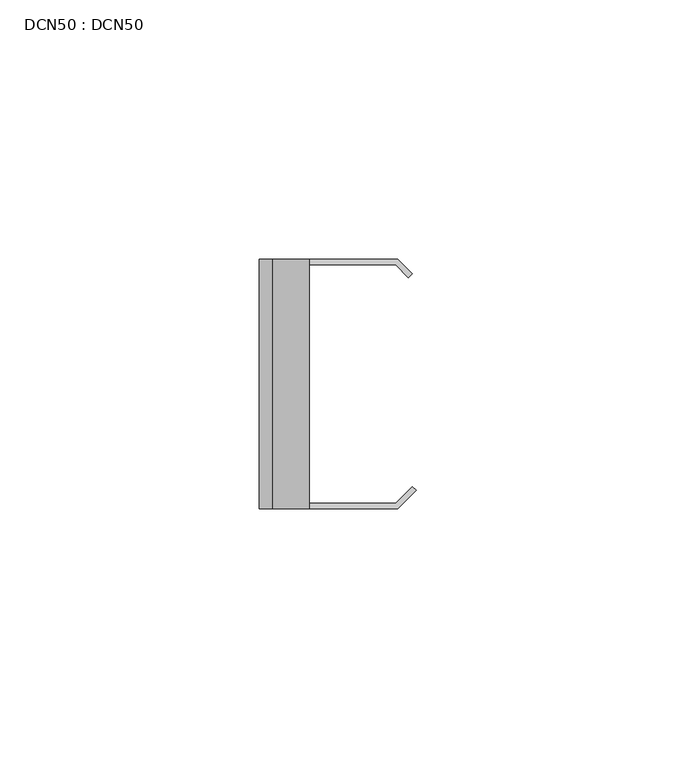
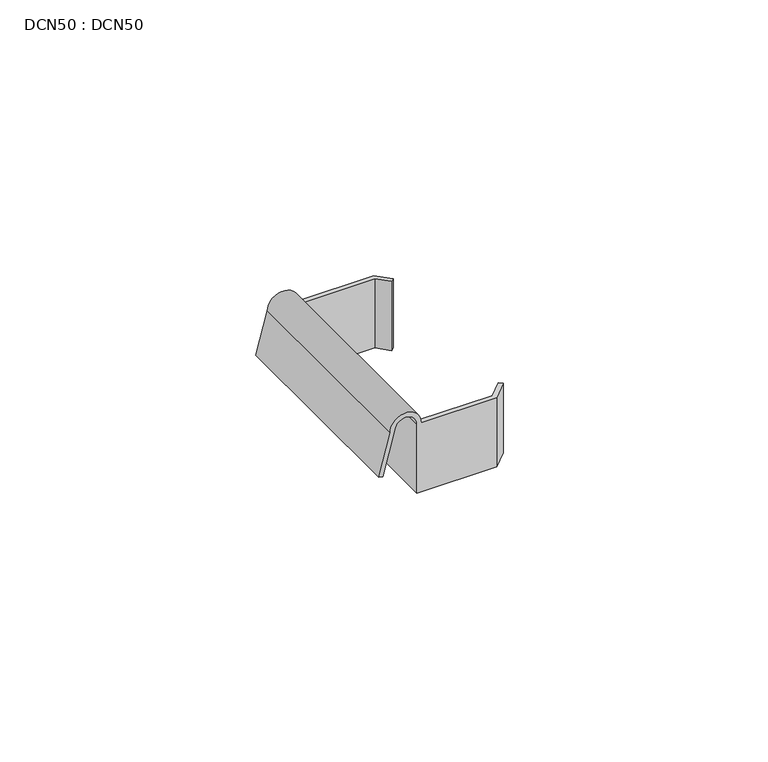
"""IFC4 building model written with IfcOpenShell, lengths in millimetres: proxy geometry, DCN50 : DCN50."""

from ifc_helpers import new_model, si_unit, frame, origin, place, context, project, spatial, polyline, circle_curve, source, transform, mapped, element, save
from ifc_brep_helpers import plane_surface, cylinder_surface, revolved_surface, advanced_brep


def dcn50_dcn50_362b3811(model_context):
    return source(origin(), model_context, "Body", "AdvancedBrep", [
        advanced_brep(
        [(-15.339069, 24.0, 16.5), (-8.2928932, 24.0, 16.5), (8.7071068, 24.0, 16.5), (8.7071068, 24.0, 0.0), (-9.2928932, 24.0, 0.0), (-9.2928932, 24.0, 16.5), (-14.3361734, 24.0, 16.3791543), (-16.9712201, 24.0, 6.5450259), (-17.937146, 24.0, 6.8038449), (-15.339069, -24.0, 16.5), (-17.937146, -24.0, 6.8038449), (-16.9712201, -24.0, 6.5450259), (-14.3361734, -24.0, 16.3791543), (-9.2928932, -24.0, 16.5), (-9.2928932, -24.0, 0.0), (8.7071068, -24.0, 0.0), (8.7071068, -24.0, 16.5), (-8.2928932, -24.0, 16.5), (-8.2928932, -23.0, 16.5), (-8.2928932, 23.0, 16.5), (12.2426407, -20.4644661, 16.5), (11.5355339, -19.7573593, 16.5), (8.2928932, -23.0, 16.5), (8.2928932, 23.0, 16.5), (10.7836753, 20.5092179, 16.5), (11.4907821, 21.2163247, 16.5), (11.4907821, 21.2163247, 0.0), (10.7836753, 20.5092179, 0.0), (8.2928932, 23.0, 0.0), (-8.2928932, 23.0, 0.0), (-8.2928932, -23.0, 0.0), (8.2928932, -23.0, 0.0), (11.5355339, -19.7573593, 0.0), (12.2426407, -20.4644661, 0.0)],
        [
            (0, 1, circle_curve(frame((-11.8159811, 24.0, 16.5), z_axis=(0.0, 1.0, 0.0), x_axis=(-1.0, 0.0, 0.0)), 3.5230879)),
            (1, 2),
            (2, 3),
            (3, 4),
            (4, 5),
            (5, 6, circle_curve(frame((-11.8159811, 24.0, 16.5), z_axis=(0.0, -1.0, 0.0), x_axis=(-1.0, 0.0, 0.0)), 2.5230879)),
            (6, 7),
            (7, 8),
            (8, 0),
            (9, 10),
            (10, 11),
            (11, 12),
            (12, 13, circle_curve(frame((-11.8159811, -24.0, 16.5), z_axis=(0.0, 1.0, 0.0), x_axis=(-1.0, 0.0, 0.0)), 2.5230879)),
            (13, 14),
            (14, 15),
            (15, 16),
            (16, 17),
            (17, 9, circle_curve(frame((-11.8159811, -24.0, 16.5), z_axis=(0.0, -1.0, 0.0), x_axis=(-1.0, 0.0, 0.0)), 3.5230879)),
            (0, 9),
            (17, 18),
            (18, 19),
            (19, 1),
            (5, 13),
            (12, 6),
            (11, 7),
            (10, 8),
            (16, 20),
            (20, 21),
            (21, 22),
            (22, 18),
            (19, 23),
            (23, 24),
            (24, 25),
            (25, 2),
            (3, 26),
            (26, 27),
            (27, 28),
            (28, 29),
            (29, 30),
            (30, 31),
            (31, 32),
            (32, 33),
            (33, 15),
            (14, 4),
            (33, 20),
            (32, 21),
            (31, 22),
            (30, 18),
            (29, 19),
            (28, 23),
            (27, 24),
            (26, 25),
        ],
        [
            plane_surface(frame((-15.339069, 24.0, 16.5), z_axis=(0.0, 1.0, 0.0), x_axis=(0.0, 0.0, 1.0))),
            plane_surface(frame((-15.339069, -24.0, 16.5), z_axis=(0.0, -1.0, 0.0), x_axis=(0.0, 0.0, -1.0))),
            cylinder_surface(frame((-11.8159811, -24.0, 16.5), z_axis=(0.0, 1.0, 0.0), x_axis=(-1.0, 0.0, 0.0)), 3.5230879),
            revolved_surface(polyline([(-14.339069, -24.0, 16.5), (-14.339069, 24.0, 16.5)]), (-11.8159811, -24.0, 16.5), (0.0, -1.0, 0.0)),
            plane_surface(frame((-14.3361734, 24.0, 16.3791543), z_axis=(0.9659258262890689, 0.0, -0.2588190451025188), x_axis=(0.0, -1.0, 0.0))),
            plane_surface(frame((-16.9712201, 24.0, 6.5450259), z_axis=(-0.25881904510251613, 0.0, -0.9659258262890695), x_axis=(0.0, -1.0, 0.0))),
            plane_surface(frame((-17.937146, 24.0, 6.8038449), z_axis=(-0.9659258262890691, 0.0, 0.2588190451025184), x_axis=(0.0, -1.0, 0.0))),
            plane_surface(frame((-9.2928932, -24.0, 16.5), z_axis=(0.0, 0.0, 1.0), x_axis=(0.0, -1.0, 0.0))),
            plane_surface(frame((-9.2928932, -24.0, 0.0), z_axis=(0.0, 0.0, -1.0), x_axis=(0.0, 1.0, 0.0))),
            plane_surface(frame((-9.2928932, 24.0, 16.5), z_axis=(-1.0, 0.0, 0.0), x_axis=(0.0, 0.0, -1.0))),
            plane_surface(frame((8.7071068, -24.0, 16.5), z_axis=(0.7071067811865467, -0.7071067811865483, 0.0), x_axis=(0.0, 0.0, -1.0))),
            plane_surface(frame((12.2426407, -20.4644661, 16.5), z_axis=(0.7071067811865476, 0.7071067811865476, 0.0), x_axis=(0.0, 0.0, -1.0))),
            plane_surface(frame((11.5355339, -19.7573593, 16.5), z_axis=(-0.7071067811865461, 0.7071067811865489, 0.0), x_axis=(0.0, 0.0, -1.0))),
            plane_surface(frame((8.2928932, -23.0, 16.5), z_axis=(0.0, 1.0, 0.0), x_axis=(0.0, 0.0, -1.0))),
            plane_surface(frame((-8.2928932, -23.0, 16.5), z_axis=(1.0, 0.0, 0.0), x_axis=(0.0, 0.0, -1.0))),
            plane_surface(frame((-8.2928932, 23.0, 16.5), z_axis=(0.0, -1.0, 0.0), x_axis=(0.0, 0.0, -1.0))),
            plane_surface(frame((8.2928932, 23.0, 16.5), z_axis=(-0.7071067811865465, -0.7071067811865486, 0.0), x_axis=(0.0, 0.0, -1.0))),
            plane_surface(frame((10.7836753, 20.5092179, 16.5), z_axis=(0.7071067811865476, -0.7071067811865476, 0.0), x_axis=(0.0, 0.0, -1.0))),
            plane_surface(frame((11.4907821, 21.2163247, 16.5), z_axis=(0.707106781186547, 0.707106781186548, 0.0), x_axis=(0.0, 0.0, -1.0))),
        ],
        [
            (0, [[1, 2, 3, 4, 5, 6, 7, 8, 9]]),
            (1, [[10, 11, 12, 13, 14, 15, 16, 17, 18]]),
            (2, [[-1, 19, -18, 20, 21, 22]]),
            (3, [[-6, 23, -13, 24]]),
            (4, [[-7, -24, -12, 25]]),
            (5, [[-8, -25, -11, 26]]),
            (6, [[-9, -26, -10, -19]]),
            (7, [[27, 28, 29, 30, -20, -17]]),
            (7, [[31, 32, 33, 34, -2, -22]]),
            (8, [[-4, 35, 36, 37, 38, 39, 40, 41, 42, 43, -15, 44]]),
            (9, [[-44, -14, -23, -5]]),
            (10, [[-27, -16, -43, 45]]),
            (11, [[-28, -45, -42, 46]]),
            (12, [[-29, -46, -41, 47]]),
            (13, [[-30, -47, -40, 48]]),
            (14, [[-39, 49, -21, -48]]),
            (15, [[-31, -49, -38, 50]]),
            (16, [[-32, -50, -37, 51]]),
            (17, [[-33, -51, -36, 52]]),
            (18, [[-34, -52, -35, -3]]),
        ],
    ),
    ])


if __name__ == "__main__":
    model = new_model("IFC4")
    model_context = context("Model", 3, world=origin())
    ifc_project = project(units=[si_unit("LENGTHUNIT", "METRE", prefix="MILLI")], contexts=[model_context])
    site = spatial("IfcSite", under=ifc_project)
    building = spatial("IfcBuilding", under=site)
    placement = place(None, origin())
    dcn50_dcn50_shape = dcn50_dcn50_362b3811(model_context)
    element("IfcBuildingElementProxy", 1, Name="DCN50 : DCN50", ObjectType="DCN50 : DCN50", at=placement, inside=building, context=model_context, shape_type="MappedRepresentation", body=[
        mapped(dcn50_dcn50_shape, transform((0.0, 0.0, 0.0), x_axis=(1.0, 0.0, 0.0), y_axis=(0.0, 1.0, 0.0), z_axis=(0.0, 0.0, 1.0))),
    ])
    save(model, "model.ifc")
